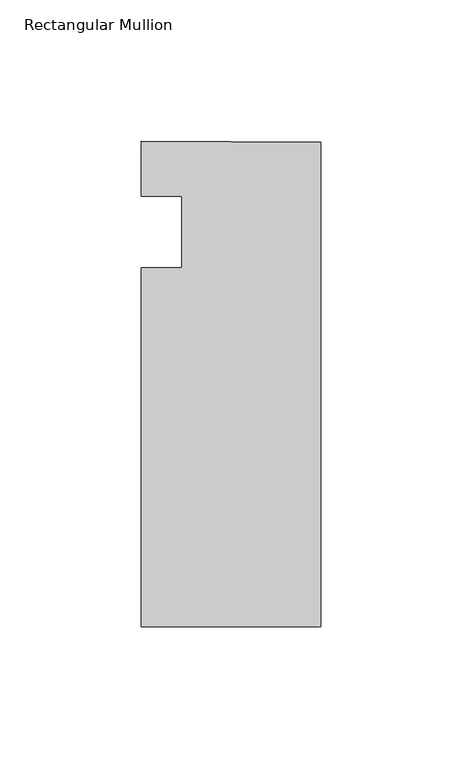
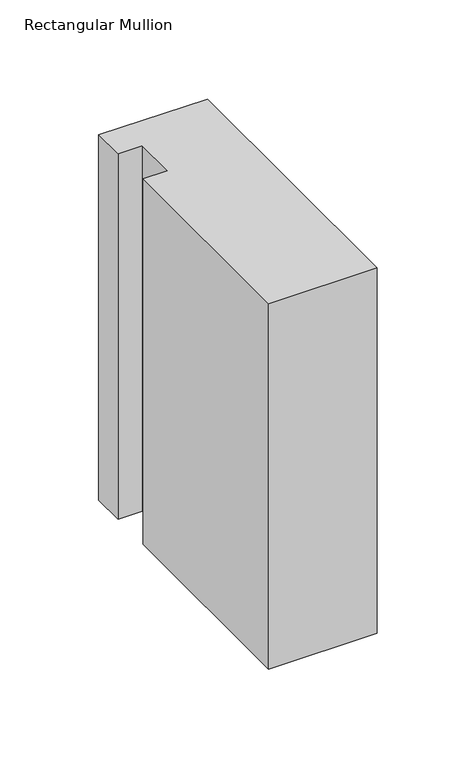
"""IFC4 building model written with IfcOpenShell, lengths in millimetres: member geometry, Rectangular Mullion."""

from ifc_helpers import new_model, si_unit, frame, origin, place, context, project, spatial, polyline, outline, extrude, source, transform, mapped, element, save


def rectangular_mullion_1b5a8f5a(model_context):
    return source(origin(), model_context, "Body", "SweptSolid", [
        extrude(outline(polyline([(-63.454026, -139.7014045), (-63.454026, -12.7013791), (-49.166526, -12.7014045), (-49.166526, 12.6985955), (-63.454026, 12.6985955), (-63.3922134, 32.0719397), (0.0, 31.75), (0.0, -139.7014045), (-63.454026, -139.7014045)])), frame((0.0, 0.0, -225.7572113), z_axis=(0.0, 0.0, 1.0), x_axis=(1.0, 0.0, 0.0)), (0.0, 0.0, 1.0), 225.7572113),
    ])


if __name__ == "__main__":
    model = new_model("IFC4")
    model_context = context("Model", 3, world=origin())
    ifc_project = project(units=[si_unit("LENGTHUNIT", "METRE", prefix="MILLI")], contexts=[model_context])
    site = spatial("IfcSite", under=ifc_project)
    building = spatial("IfcBuilding", under=site)
    placement = place(None, origin())
    rectangular_mullion_shape = rectangular_mullion_1b5a8f5a(model_context)
    element("IfcMember", 1, ObjectType="Rectangular Mullion", at=placement, inside=building, context=model_context, shape_type="MappedRepresentation", body=[
        mapped(rectangular_mullion_shape, transform((0.0, 0.0, 0.0), x_axis=(1.0, 0.0, 0.0), y_axis=(0.0, 1.0, 0.0), z_axis=(0.0, 0.0, 1.0))),
    ])
    save(model, "model.ifc")
